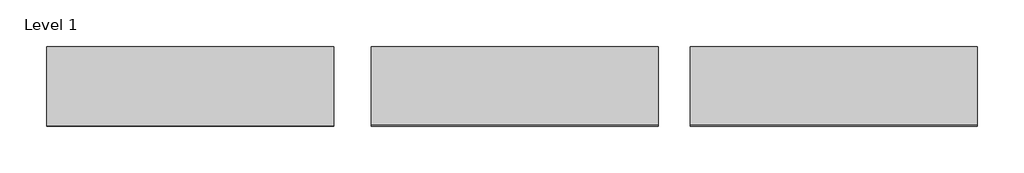
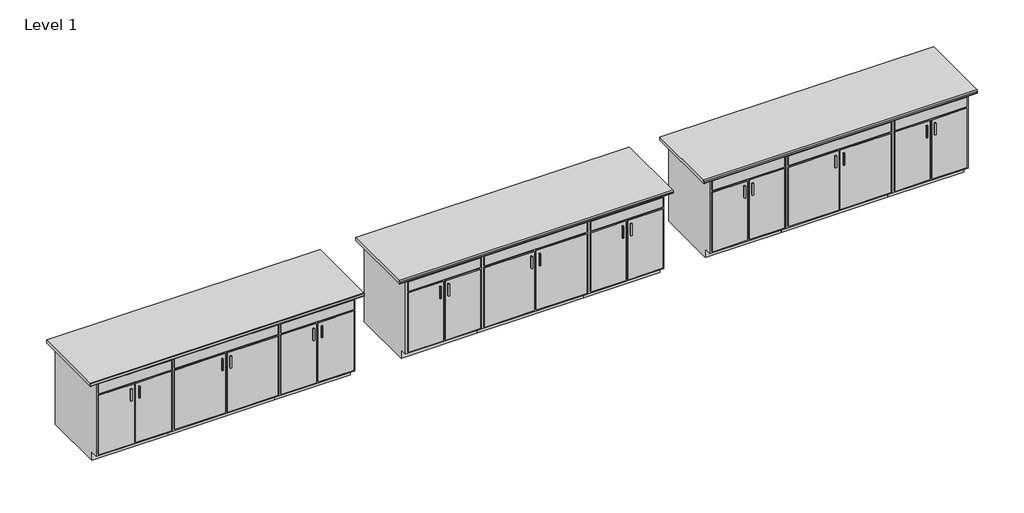
# One storey: 12 furniture elements.
"""IFC4 building model written with IfcOpenShell, lengths in millimetres."""

import ifcopenshell
import ifcopenshell.guid

model = None  # the IFC model being written
_history = None  # IfcOwnerHistory: only IFC2X3 demands one
_inside = {}  # id of a spatial element -> (the spatial element, [elements in it])
_under = {}  # id of a project, library or spatial element -> (it, [spatial elements below it])
_declared = {}  # id of a project -> (the project, [libraries it declares])
_typed = {}  # id of a type object -> (the type object, [elements of that type])
_made_of = {}  # id of a material, layer set ... -> (it, [elements and type objects made of it])


def new_model(schema):
    """Start an empty IFC model of exactly this schema.

    Asked for "IFC4X3", IfcOpenShell would pick the latest addendum, in which some entities
    have other attributes; the version numbers below select the first issue.
    IFC2X3 requires an IfcOwnerHistory on every rooted entity: one is made here for all.
    """
    global model, _history
    if schema == "IFC4X3":
        model = ifcopenshell.file(schema_version=(4, 3, 0, 0))
    else:
        model = ifcopenshell.file(schema=schema)
    _inside.clear()
    _under.clear()
    _declared.clear()
    _typed.clear()
    _made_of.clear()
    _history = None
    if model.schema == "IFC2X3":
        org = make("IfcOrganization", Name="unknown")
        user = make(
            "IfcPersonAndOrganization",
            ThePerson=make("IfcPerson", FamilyName="unknown"),
            TheOrganization=org,
        )
        app = make(
            "IfcApplication",
            ApplicationDeveloper=org,
            Version="unknown",
            ApplicationFullName="unknown",
            ApplicationIdentifier="unknown",
        )
        _history = make(
            "IfcOwnerHistory",
            OwningUser=user,
            OwningApplication=app,
            ChangeAction="ADDED",
            CreationDate=0,
        )
    return model


def make(cls, **values):
    """One entity of the class cls with the attributes given. An attribute that is None is left unset."""
    return model.create_entity(
        cls, **{name: value for name, value in values.items() if value is not None}
    )


def rooted(cls, **values):
    """An entity with a GlobalId (a new one), such as an element, a storey or a relation."""
    return make(cls, GlobalId=ifcopenshell.guid.new(), OwnerHistory=_history, **values)


def si_unit(unit_type, name, prefix=None):
    """IfcSIUnit, for example si_unit("LENGTHUNIT", "METRE", prefix="MILLI")."""
    return make("IfcSIUnit", UnitType=unit_type, Prefix=prefix, Name=name)


def assignment(units):
    """IfcUnitAssignment: the units of a project."""
    return None if units is None else make("IfcUnitAssignment", Units=units)


def point(xyz):
    """IfcCartesianPoint."""
    return None if xyz is None else make("IfcCartesianPoint", Coordinates=xyz)


def direction(xyz):
    """IfcDirection."""
    return None if xyz is None else make("IfcDirection", DirectionRatios=xyz)


def frame(location, z_axis=None, x_axis=None):
    """IfcAxis2Placement3D, a coordinate frame: its origin and axes. An axis left out is left unset."""
    return make(
        "IfcAxis2Placement3D",
        Location=point(location),
        Axis=direction(z_axis),
        RefDirection=direction(x_axis),
    )


def frame_2d(location, x_axis=None):
    """IfcAxis2Placement2D, a coordinate frame in the plane: its origin and x axis."""
    return make(
        "IfcAxis2Placement2D", Location=point(location), RefDirection=direction(x_axis)
    )


def origin():
    """The frame at (0, 0, 0) with its axes left unset."""
    return frame((0.0, 0.0, 0.0))


def place(relative_to, where):
    """IfcLocalPlacement: puts the frame where relative to a parent placement (None: the world)."""
    return make(
        "IfcLocalPlacement", PlacementRelTo=relative_to, RelativePlacement=where
    )


def context(
    kind, dimensions, precision=None, world=None, true_north=None, identifier=None
):
    """IfcGeometricRepresentationContext, for example the 3D "Model" context."""
    return make(
        "IfcGeometricRepresentationContext",
        ContextIdentifier=identifier,
        ContextType=kind,
        CoordinateSpaceDimension=dimensions,
        Precision=precision,
        WorldCoordinateSystem=world,
        TrueNorth=true_north,
    )


def project(units=None, contexts=None):
    """IfcProject with its units and contexts."""
    return rooted(
        "IfcProject",
        Name="project",
        RepresentationContexts=contexts,
        UnitsInContext=assignment(units),
    )


def spatial(cls, under=None, at=None, **own):
    """A site, building, storey or space (cls), placed at a placement, below another one or the project."""
    s = rooted(cls, ObjectPlacement=at, **own)
    if under is not None:
        _under.setdefault(under.id(), (under, []))[1].append(s)
    return s


def polyline(points):
    """IfcPolyline through the points."""
    return make("IfcPolyline", Points=[point(p) for p in points])


def circle_curve(where, radius):
    """IfcCircle in the frame where."""
    return make("IfcCircle", Position=where, Radius=radius)


def trimmed(basis, trim1, trim2, sense, master):
    """IfcTrimmedCurve: the piece of a basis curve between two trims."""
    return make(
        "IfcTrimmedCurve",
        BasisCurve=basis,
        Trim1=trim1,
        Trim2=trim2,
        SenseAgreement=sense,
        MasterRepresentation=master,
    )


def segment(curve, same_sense, transition):
    """IfcCompositeCurveSegment."""
    return make(
        "IfcCompositeCurveSegment",
        Transition=transition,
        SameSense=same_sense,
        ParentCurve=curve,
    )


def composite_curve(segments, self_intersect=None):
    """IfcCompositeCurve: segments joined end to end."""
    return make("IfcCompositeCurve", Segments=segments, SelfIntersect=self_intersect)


def outline(outer, holes=None, kind="AREA"):
    """IfcArbitraryClosedProfileDef: a profile drawn as a closed curve; with holes, ...WithVoids."""
    if holes is None:
        return make("IfcArbitraryClosedProfileDef", ProfileType=kind, OuterCurve=outer)
    return make(
        "IfcArbitraryProfileDefWithVoids",
        ProfileType=kind,
        OuterCurve=outer,
        InnerCurves=holes,
    )


def extrude(swept, where, along, depth):
    """IfcExtrudedAreaSolid: the profile swept, set in the frame where, extruded along a direction by depth."""
    return make(
        "IfcExtrudedAreaSolid",
        SweptArea=swept,
        Position=where,
        ExtrudedDirection=direction(along),
        Depth=depth,
    )


def faces_of(points, faces, orient=None, outer=None):
    """IfcFace entities. A face is a list of loops; a loop is a list of indices into points, from 0.

    orient and outer hold one flag for each loop. By default every Orientation is true, the
    first loop of a face is its IfcFaceOuterBound and the others are IfcFaceBound.
    """
    made = []
    for i, loops in enumerate(faces):
        bounds = []
        for j, loop in enumerate(loops):
            is_outer = j == 0 if outer is None else outer[i][j]
            bounds.append(
                make(
                    "IfcFaceOuterBound" if is_outer else "IfcFaceBound",
                    Bound=make("IfcPolyLoop", Polygon=[points[k] for k in loop]),
                    Orientation=True if orient is None else orient[i][j],
                )
            )
        made.append(make("IfcFace", Bounds=bounds))
    return made


def faceted_brep(points, faces, orient=None, outer=None, voids=None):
    """IfcFacetedBrep: a solid bounded by flat faces; with voids (closed shells), ...WithVoids."""
    shared = [point(p) for p in points]
    hull = make("IfcClosedShell", CfsFaces=faces_of(shared, faces, orient, outer))
    if voids is None:
        return make("IfcFacetedBrep", Outer=hull)
    return make(
        "IfcFacetedBrepWithVoids",
        Outer=hull,
        Voids=[
            make(cls, CfsFaces=faces_of(shared, fs, o, b)) for cls, fs, o, b in voids
        ],
    )


def shape(context_of_items, identifier, shape_type, items):
    """IfcShapeRepresentation: the items that make up one representation, for example the "Body"."""
    return make(
        "IfcShapeRepresentation",
        ContextOfItems=context_of_items,
        RepresentationIdentifier=identifier,
        RepresentationType=shape_type,
        Items=items,
    )


def source(mapping_origin, context_of_items, identifier, shape_type, items):
    """IfcRepresentationMap: a shape defined once, which mapped items show again and again."""
    return make(
        "IfcRepresentationMap",
        MappingOrigin=mapping_origin,
        MappedRepresentation=shape(context_of_items, identifier, shape_type, items),
    )


def transform(
    local_origin,
    x_axis=None,
    y_axis=None,
    z_axis=None,
    scale=None,
    scale2=None,
    scale3=None,
    uniform=True,
):
    """IfcCartesianTransformationOperator3D, or its non-uniform kind. x_axis, y_axis, z_axis: its Axis1, 2, 3."""
    if uniform:
        return make(
            "IfcCartesianTransformationOperator3D",
            Axis1=direction(x_axis),
            Axis2=direction(y_axis),
            LocalOrigin=point(local_origin),
            Scale=scale,
            Axis3=direction(z_axis),
        )
    return make(
        "IfcCartesianTransformationOperator3DnonUniform",
        Axis1=direction(x_axis),
        Axis2=direction(y_axis),
        LocalOrigin=point(local_origin),
        Scale=scale,
        Axis3=direction(z_axis),
        Scale2=scale2,
        Scale3=scale3,
    )


def mapped(mapping_source, mapping_target):
    """IfcMappedItem: shows the shape of a source again, moved by a transform."""
    return make(
        "IfcMappedItem", MappingSource=mapping_source, MappingTarget=mapping_target
    )


def made_of(thing, what):
    """Note that an element or type object is made of a material, layer set ...; save() writes the relation."""
    if what is not None:
        _made_of.setdefault(what.id(), (what, []))[1].append(thing)
    return thing


def element(
    cls,
    number,
    at=None,
    inside=None,
    cuts=None,
    type_object=None,
    material=None,
    context=None,
    identifier="Body",
    shape_type=None,
    held_by="IfcProductDefinitionShape",
    body=None,
    shapes=None,
    **own,
):
    """One element of the class cls, such as IfcWall. Its Tag is "e" and its number.

    at: its placement. inside: the storey or other place that contains it. cuts: it is an
    opening in that element (IfcRelVoidsElement). A single representation is given by context,
    identifier, shape_type and body (its items); several are given by shapes. held_by: the class
    of the entity that holds the representations. save() writes the other relations.
    """
    e = rooted(cls, Tag="e%d" % number, ObjectPlacement=at, **own)
    if body is not None:
        shapes = [shape(context, identifier, shape_type, body)]
    if shapes is not None:
        e.Representation = make(held_by, Representations=shapes)
    if inside is not None:
        _inside.setdefault(inside.id(), (inside, []))[1].append(e)
    if cuts is not None:
        rooted(
            "IfcRelVoidsElement", RelatingBuildingElement=cuts, RelatedOpeningElement=e
        )
    if type_object is not None:
        _typed.setdefault(type_object.id(), (type_object, []))[1].append(e)
    return made_of(e, material)


def aggregate(whole, parts):
    """IfcRelAggregates: a whole, such as a stair, and the parts it consists of."""
    return rooted("IfcRelAggregates", RelatingObject=whole, RelatedObjects=parts)


def save(model, path):
    """Write the relations noted so far, then the file.

    IfcRelAggregates (storeys below a building ...), IfcRelContainedInSpatialStructure (elements
    in a storey), IfcRelDefinesByType, IfcRelAssociatesMaterial and IfcRelDeclares: one each for
    every whole, place, type object, material and project.
    """
    for whole, parts in _under.values():
        aggregate(whole, parts)
    for where, things in _inside.values():
        rooted(
            "IfcRelContainedInSpatialStructure",
            RelatedElements=things,
            RelatingStructure=where,
        )
    for kind, things in _typed.values():
        rooted("IfcRelDefinesByType", RelatedObjects=things, RelatingType=kind)
    for what, things in _made_of.values():
        rooted("IfcRelAssociatesMaterial", RelatedObjects=things, RelatingMaterial=what)
    for by, libraries in _declared.values():
        rooted("IfcRelDeclares", RelatingContext=by, RelatedDefinitions=libraries)
    model.write(path)


def furniture_89a24a9e(model_context):
    return source(origin(), model_context, "Body", "SolidModel", [
        faceted_brep([(380.6877049, -692.15, 876.3), (380.6877049, -692.15, 88.9), (-343.2122951, -692.15, 88.9), (-343.2122951, -692.15, 876.3), (-362.2622951, -711.2, 876.3), (399.7377049, -711.2, 876.3), (-362.2622951, -711.2, 88.9), (399.7377049, -711.2, 88.9), (-343.2122951, -635.0, 88.9), (-343.2122951, -19.05, 88.9), (-343.2122951, -19.05, 876.3), (-362.2622951, 0.0, 876.3), (-362.2622951, 0.0, 0.0), (-362.2622951, -635.0, 0.0), (-362.2622951, -635.0, 88.9), (380.6877049, -19.05, 88.9), (380.6877049, -19.05, 876.3), (399.7377049, 0.0, 876.3), (399.7377049, 0.0, 0.0), (380.6877049, -635.0, 88.9), (399.7377049, -635.0, 88.9), (399.7377049, -635.0, 0.0)], [[[0, 1, 2, 3]], [[0, 3, 4, 5]], [[5, 4, 6, 7]], [[2, 1, 7, 6]], [[3, 2, 8, 9, 10]], [[4, 3, 10, 11]], [[6, 4, 11, 12, 13, 14]], [[2, 6, 14, 8]], [[10, 9, 15, 16]], [[11, 10, 16, 17]], [[12, 11, 17, 18]], [[1, 0, 16, 15, 19]], [[0, 5, 17, 16]], [[5, 7, 20, 21, 18, 17]], [[7, 1, 19, 20]], [[8, 19, 15, 9]], [[18, 21, 13, 12]], [[13, 21, 20, 19, 8, 14]]]),
        extrude(outline(polyline([(-16.1872951, -736.6), (-28.8872951, -736.6), (-28.8872951, -723.9), (-16.1872951, -723.9), (-16.1872951, -736.6)])), frame((0.0, 0.0, 573.769895), z_axis=(0.0, 0.0, 1.0), x_axis=(1.0, 0.0, 0.0)), (0.0, 0.0, 1.0), 124.730105),
        extrude(outline(polyline([(66.3627049, -736.6), (53.6627049, -736.6), (53.6627049, -723.9), (66.3627049, -723.9), (66.3627049, -736.6)])), frame((0.0, 0.0, 573.769895), z_axis=(0.0, 0.0, 1.0), x_axis=(1.0, 0.0, 0.0)), (0.0, 0.0, 1.0), 124.730105),
        extrude(outline(polyline([(380.6877049, -19.05), (380.6877049, -692.15), (-343.2122951, -692.15), (-343.2122951, -19.05), (380.6877049, -19.05)])), frame((0.0, 0.0, 88.9), z_axis=(0.0, 0.0, 1.0), x_axis=(1.0, 0.0, 0.0)), (0.0, 0.0, 1.0), 19.05),
        extrude(outline(polyline([(9.2127049, -723.9), (-343.2122951, -723.9), (-343.2122951, -711.2), (9.2127049, -711.2), (9.2127049, -723.9)])), frame((0.0, 0.0, 107.95), z_axis=(0.0, 0.0, 1.0), x_axis=(1.0, 0.0, 0.0)), (0.0, 0.0, 1.0), 628.65),
        extrude(outline(polyline([(380.6877049, -723.9), (28.2627049, -723.9), (28.2627049, -711.2), (380.6877049, -711.2), (380.6877049, -723.9)])), frame((0.0, 0.0, 107.95), z_axis=(0.0, 0.0, 1.0), x_axis=(1.0, 0.0, 0.0)), (0.0, 0.0, 1.0), 628.65),
        extrude(outline(polyline([(380.6877049, -723.9), (-343.2122951, -723.9), (-343.2122951, -711.2), (380.6877049, -711.2), (380.6877049, -723.9)])), frame((0.0, 0.0, 755.65), z_axis=(0.0, 0.0, 1.0), x_axis=(1.0, 0.0, 0.0)), (0.0, 0.0, 1.0), 101.6),
    ])


def furniture_4624e8ac(model_context):
    return source(origin(), model_context, "Body", "SolidModel", [
        faceted_brep([(533.0877049, -692.15, 876.3), (533.0877049, -692.15, 88.9), (-495.6122951, -692.15, 88.9), (-495.6122951, -692.15, 876.3), (-514.6622951, -711.2, 876.3), (552.1377049, -711.2, 876.3), (-514.6622951, -711.2, 88.9), (552.1377049, -711.2, 88.9), (-495.6122951, -635.0, 88.9), (-495.6122951, -19.05, 88.9), (-495.6122951, -19.05, 876.3), (-514.6622951, 0.0, 876.3), (-514.6622951, 0.0, 0.0), (-514.6622951, -635.0, 0.0), (-514.6622951, -635.0, 88.9), (533.0877049, -19.05, 88.9), (533.0877049, -19.05, 876.3), (552.1377049, 0.0, 876.3), (552.1377049, 0.0, 0.0), (533.0877049, -635.0, 88.9), (552.1377049, -635.0, 88.9), (552.1377049, -635.0, 0.0)], [[[0, 1, 2, 3]], [[0, 3, 4, 5]], [[5, 4, 6, 7]], [[2, 1, 7, 6]], [[3, 2, 8, 9, 10]], [[4, 3, 10, 11]], [[6, 4, 11, 12, 13, 14]], [[2, 6, 14, 8]], [[10, 9, 15, 16]], [[11, 10, 16, 17]], [[12, 11, 17, 18]], [[1, 0, 16, 15, 19]], [[0, 5, 17, 16]], [[5, 7, 20, 21, 18, 17]], [[7, 1, 19, 20]], [[8, 19, 15, 9]], [[18, 21, 13, 12]], [[13, 21, 20, 19, 8, 14]]]),
        extrude(outline(polyline([(-16.1872951, -736.6), (-28.8872951, -736.6), (-28.8872951, -723.9), (-16.1872951, -723.9), (-16.1872951, -736.6)])), frame((0.0, 0.0, 573.769895), z_axis=(0.0, 0.0, 1.0), x_axis=(1.0, 0.0, 0.0)), (0.0, 0.0, 1.0), 124.730105),
        extrude(outline(polyline([(66.3627049, -736.6), (53.6627049, -736.6), (53.6627049, -723.9), (66.3627049, -723.9), (66.3627049, -736.6)])), frame((0.0, 0.0, 573.769895), z_axis=(0.0, 0.0, 1.0), x_axis=(1.0, 0.0, 0.0)), (0.0, 0.0, 1.0), 124.730105),
        extrude(outline(polyline([(533.0877049, -19.05), (533.0877049, -692.15), (-495.6122951, -692.15), (-495.6122951, -19.05), (533.0877049, -19.05)])), frame((0.0, 0.0, 88.9), z_axis=(0.0, 0.0, 1.0), x_axis=(1.0, 0.0, 0.0)), (0.0, 0.0, 1.0), 19.05),
        extrude(outline(polyline([(9.2127049, -723.9), (-495.6122951, -723.9), (-495.6122951, -711.2), (9.2127049, -711.2), (9.2127049, -723.9)])), frame((0.0, 0.0, 107.95), z_axis=(0.0, 0.0, 1.0), x_axis=(1.0, 0.0, 0.0)), (0.0, 0.0, 1.0), 628.65),
        extrude(outline(polyline([(533.0877049, -723.9), (28.2627049, -723.9), (28.2627049, -711.2), (533.0877049, -711.2), (533.0877049, -723.9)])), frame((0.0, 0.0, 107.95), z_axis=(0.0, 0.0, 1.0), x_axis=(1.0, 0.0, 0.0)), (0.0, 0.0, 1.0), 628.65),
        extrude(outline(polyline([(533.0877049, -723.9), (-495.6122951, -723.9), (-495.6122951, -711.2), (533.0877049, -711.2), (533.0877049, -723.9)])), frame((0.0, 0.0, 755.65), z_axis=(0.0, 0.0, 1.0), x_axis=(1.0, 0.0, 0.0)), (0.0, 0.0, 1.0), 101.6),
    ])


def furniture_591fab0c(model_context):
    return source(origin(), model_context, "Body", "SweptSolid", [
        extrude(outline(composite_curve([segment(polyline([(-727.075, 914.4), (25.4, 914.4), (25.4, 882.65), (-727.075, 882.65)]), True, "CONTINUOUS"), segment(trimmed(circle_curve(frame_2d((-727.075, 892.175)), 9.525), [point((-727.075, 882.65))], [point((-736.6, 892.175))], False, "CARTESIAN"), True, "CONTINUOUS"), segment(polyline([(-736.6, 892.175), (-736.6, 904.875)]), True, "CONTINUOUS"), segment(trimmed(circle_curve(frame_2d((-727.075, 904.875)), 9.525), [point((-736.6, 904.875))], [point((-727.075, 914.4))], False, "CARTESIAN"), True, "CONTINUOUS")], self_intersect=False)), frame((-1200.4622951, 0.0, 0.0), z_axis=(1.0, 0.0, 0.0), x_axis=(0.0, 1.0, 0.0)), (0.0, 0.0, 1.0), 2743.2),
    ])


def furniture_f40ffbc1(model_context):
    return source(origin(), model_context, "Body", "SweptSolid", [
        extrude(outline(composite_curve([segment(polyline([(-727.075, 914.4), (25.4, 914.4), (25.4, 882.65), (-733.425, 882.65)]), True, "CONTINUOUS"), segment(trimmed(circle_curve(frame_2d((-733.425, 885.825)), 3.175), [point((-733.425, 882.65))], [point((-736.6, 885.825))], False, "CARTESIAN"), True, "CONTINUOUS"), segment(polyline([(-736.6, 885.825), (-736.6, 904.875)]), True, "CONTINUOUS"), segment(trimmed(circle_curve(frame_2d((-727.075, 904.875)), 9.525), [point((-736.6, 904.875))], [point((-727.075, 914.4))], False, "CARTESIAN"), True, "CONTINUOUS")], self_intersect=False)), frame((-1200.4622951, 0.0, 0.0), z_axis=(1.0, 0.0, 0.0), x_axis=(0.0, 1.0, 0.0)), (0.0, 0.0, 1.0), 2743.2),
    ])


def furniture_4fd977f9(model_context):
    return source(origin(), model_context, "Body", "SweptSolid", [
        extrude(outline(composite_curve([segment(polyline([(-733.425, 914.4), (25.4, 914.4), (25.4, 882.65), (-733.425, 882.65)]), True, "CONTINUOUS"), segment(trimmed(circle_curve(frame_2d((-733.425, 885.825)), 3.175), [point((-733.425, 882.65))], [point((-736.6, 885.825))], False, "CARTESIAN"), True, "CONTINUOUS"), segment(polyline([(-736.6, 885.825), (-736.6, 911.225)]), True, "CONTINUOUS"), segment(trimmed(circle_curve(frame_2d((-733.425, 911.225)), 3.175), [point((-736.6, 911.225))], [point((-733.425, 914.4))], False, "CARTESIAN"), True, "CONTINUOUS")], self_intersect=False)), frame((-1200.4622951, 0.0, 0.0), z_axis=(1.0, 0.0, 0.0), x_axis=(0.0, 1.0, 0.0)), (0.0, 0.0, 1.0), 2743.2),
    ])


model = new_model("IFC4")

# Units and contexts
model_context = context("Model", 3, world=origin())
ifc_project = project(units=[si_unit("LENGTHUNIT", "METRE", prefix="MILLI")], contexts=[model_context])

# Site, building, storey
site = spatial("IfcSite", under=ifc_project)
building = spatial("IfcBuilding", under=site)
storey = spatial("IfcBuildingStorey", under=building, Name="Level 1", Elevation=0.0)

# Furniture
placement = place(None, origin())
furniture_shape = furniture_89a24a9e(model_context)
element("IfcFurniture", 1, ObjectType="Base Cabinet-Double Door Sink Unit : 30\"", at=placement, inside=storey, context=model_context, shape_type="MappedRepresentation", body=[
    mapped(furniture_shape, transform((-7874.2430189, 4330.279595, 0.0), x_axis=(1.0, 0.0, 0.0), y_axis=(0.0, 1.0, 0.0), z_axis=(0.0, 0.0, 1.0))),
])
element("IfcFurniture", 2, ObjectType="Base Cabinet-Double Door Sink Unit : 30\"", at=placement, inside=storey, context=model_context, shape_type="MappedRepresentation", body=[
    mapped(furniture_shape, transform((-6045.4430189, 4330.279595, 0.0), x_axis=(1.0, 0.0, 0.0), y_axis=(0.0, 1.0, 0.0), z_axis=(0.0, 0.0, 1.0))),
])
element("IfcFurniture", 3, ObjectType="Base Cabinet-Double Door Sink Unit : 30\"", at=placement, inside=storey, context=model_context, shape_type="MappedRepresentation", body=[
    mapped(furniture_shape, transform((-4775.4430189, 4330.279595, 0.0), x_axis=(1.0, 0.0, 0.0), y_axis=(0.0, 1.0, 0.0), z_axis=(0.0, 0.0, 1.0))),
])
element("IfcFurniture", 4, ObjectType="Base Cabinet-Double Door Sink Unit : 30\"", at=placement, inside=storey, context=model_context, shape_type="MappedRepresentation", body=[
    mapped(furniture_shape, transform((-2946.6430189, 4330.279595, 0.0), x_axis=(1.0, 0.0, 0.0), y_axis=(0.0, 1.0, 0.0), z_axis=(0.0, 0.0, 1.0))),
])
element("IfcFurniture", 5, ObjectType="Base Cabinet-Double Door Sink Unit : 30\"", at=placement, inside=storey, context=model_context, shape_type="MappedRepresentation", body=[
    mapped(furniture_shape, transform((-1727.4430189, 4330.279595, 0.0), x_axis=(1.0, 0.0, 0.0), y_axis=(0.0, 1.0, 0.0), z_axis=(0.0, 0.0, 1.0))),
])
element("IfcFurniture", 6, ObjectType="Base Cabinet-Double Door Sink Unit : 30\"", at=placement, inside=storey, context=model_context, shape_type="MappedRepresentation", body=[
    mapped(furniture_shape, transform((101.3569811, 4330.279595, 0.0), x_axis=(1.0, 0.0, 0.0), y_axis=(0.0, 1.0, 0.0), z_axis=(0.0, 0.0, 1.0))),
])
furniture_2_shape = furniture_4624e8ac(model_context)
element("IfcFurniture", 7, ObjectType="Base Cabinet-Double Door Sink Unit : 42\"", at=placement, inside=storey, context=model_context, shape_type="MappedRepresentation", body=[
    mapped(furniture_2_shape, transform((-6959.8430189, 4330.279595, 0.0), x_axis=(1.0, 0.0, 0.0), y_axis=(0.0, 1.0, 0.0), z_axis=(0.0, 0.0, 1.0))),
])
element("IfcFurniture", 8, ObjectType="Base Cabinet-Double Door Sink Unit : 42\"", at=placement, inside=storey, context=model_context, shape_type="MappedRepresentation", body=[
    mapped(furniture_2_shape, transform((-3861.0430189, 4330.279595, 0.0), x_axis=(1.0, 0.0, 0.0), y_axis=(0.0, 1.0, 0.0), z_axis=(0.0, 0.0, 1.0))),
])
element("IfcFurniture", 9, ObjectType="Base Cabinet-Double Door Sink Unit : 42\"", at=placement, inside=storey, context=model_context, shape_type="MappedRepresentation", body=[
    mapped(furniture_2_shape, transform((-813.0430189, 4330.279595, 0.0), x_axis=(1.0, 0.0, 0.0), y_axis=(0.0, 1.0, 0.0), z_axis=(0.0, 0.0, 1.0))),
])
furniture_3_shape = furniture_591fab0c(model_context)
element("IfcFurniture", 10, ObjectType="Full Bullnose - 108\" x 30\" x 1 1/4\"", at=placement, inside=storey, context=model_context, shape_type="MappedRepresentation", body=[
    mapped(furniture_3_shape, transform((-4013.4430189, 4323.929595, -6.35), x_axis=(1.0, 0.0, 0.0), y_axis=(0.0, 1.0, 0.0), z_axis=(0.0, 0.0, 1.0))),
])
furniture_4_shape = furniture_f40ffbc1(model_context)
element("IfcFurniture", 11, ObjectType="Half Bullnose - 108\" x 30\" x 1 1/4\"", at=placement, inside=storey, context=model_context, shape_type="MappedRepresentation", body=[
    mapped(furniture_4_shape, transform((-965.4430189, 4323.929595, -6.35), x_axis=(1.0, 0.0, 0.0), y_axis=(0.0, 1.0, 0.0), z_axis=(0.0, 0.0, 1.0))),
])
furniture_5_shape = furniture_4fd977f9(model_context)
element("IfcFurniture", 12, ObjectType="Straight Edge - 108\" x 30\" x 1 1/4\"", at=placement, inside=storey, context=model_context, shape_type="MappedRepresentation", body=[
    mapped(furniture_5_shape, transform((-7112.2430189, 4323.929595, -6.35), x_axis=(1.0, 0.0, 0.0), y_axis=(0.0, 1.0, 0.0), z_axis=(0.0, 0.0, 1.0))),
])

save(model, "model.ifc")
